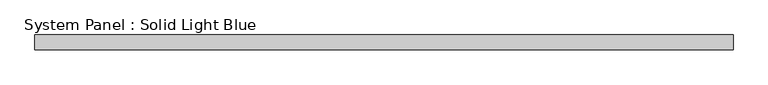
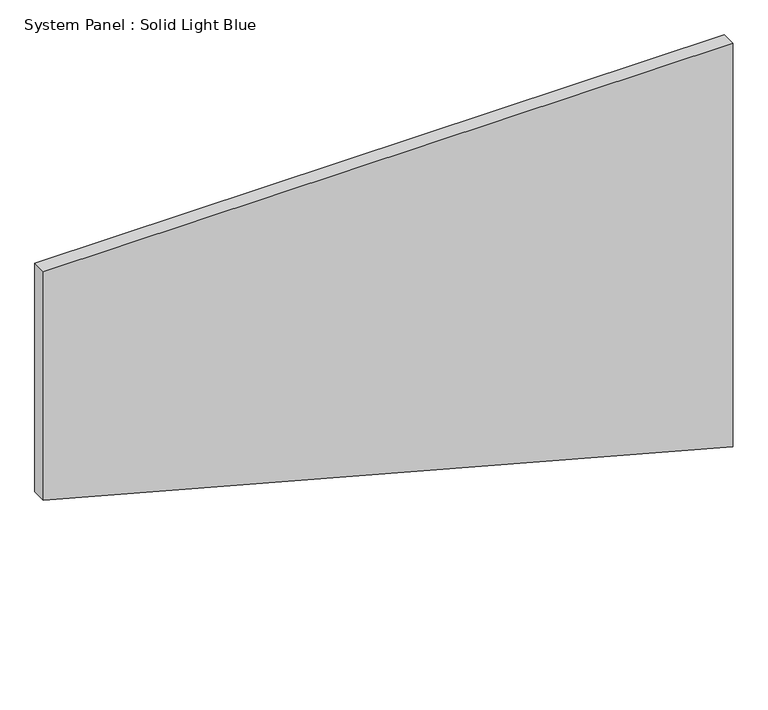
"""IFC4 building model written with IfcOpenShell, lengths in millimetres: plate geometry, System Panel : Solid Light Blue."""

import ifcopenshell
import ifcopenshell.guid

model = None  # the IFC model being written
_history = None  # IfcOwnerHistory: only IFC2X3 demands one
_inside = {}  # id of a spatial element -> (the spatial element, [elements in it])
_under = {}  # id of a project, library or spatial element -> (it, [spatial elements below it])
_declared = {}  # id of a project -> (the project, [libraries it declares])
_typed = {}  # id of a type object -> (the type object, [elements of that type])
_made_of = {}  # id of a material, layer set ... -> (it, [elements and type objects made of it])


def new_model(schema):
    """Start an empty IFC model of exactly this schema.

    Asked for "IFC4X3", IfcOpenShell would pick the latest addendum, in which some entities
    have other attributes; the version numbers below select the first issue.
    IFC2X3 requires an IfcOwnerHistory on every rooted entity: one is made here for all.
    """
    global model, _history
    if schema == "IFC4X3":
        model = ifcopenshell.file(schema_version=(4, 3, 0, 0))
    else:
        model = ifcopenshell.file(schema=schema)
    _inside.clear()
    _under.clear()
    _declared.clear()
    _typed.clear()
    _made_of.clear()
    _history = None
    if model.schema == "IFC2X3":
        org = make("IfcOrganization", Name="unknown")
        user = make(
            "IfcPersonAndOrganization",
            ThePerson=make("IfcPerson", FamilyName="unknown"),
            TheOrganization=org,
        )
        app = make(
            "IfcApplication",
            ApplicationDeveloper=org,
            Version="unknown",
            ApplicationFullName="unknown",
            ApplicationIdentifier="unknown",
        )
        _history = make(
            "IfcOwnerHistory",
            OwningUser=user,
            OwningApplication=app,
            ChangeAction="ADDED",
            CreationDate=0,
        )
    return model


def make(cls, **values):
    """One entity of the class cls with the attributes given. An attribute that is None is left unset."""
    return model.create_entity(
        cls, **{name: value for name, value in values.items() if value is not None}
    )


def rooted(cls, **values):
    """An entity with a GlobalId (a new one), such as an element, a storey or a relation."""
    return make(cls, GlobalId=ifcopenshell.guid.new(), OwnerHistory=_history, **values)


def si_unit(unit_type, name, prefix=None):
    """IfcSIUnit, for example si_unit("LENGTHUNIT", "METRE", prefix="MILLI")."""
    return make("IfcSIUnit", UnitType=unit_type, Prefix=prefix, Name=name)


def assignment(units):
    """IfcUnitAssignment: the units of a project."""
    return None if units is None else make("IfcUnitAssignment", Units=units)


def point(xyz):
    """IfcCartesianPoint."""
    return None if xyz is None else make("IfcCartesianPoint", Coordinates=xyz)


def direction(xyz):
    """IfcDirection."""
    return None if xyz is None else make("IfcDirection", DirectionRatios=xyz)


def frame(location, z_axis=None, x_axis=None):
    """IfcAxis2Placement3D, a coordinate frame: its origin and axes. An axis left out is left unset."""
    return make(
        "IfcAxis2Placement3D",
        Location=point(location),
        Axis=direction(z_axis),
        RefDirection=direction(x_axis),
    )


def origin():
    """The frame at (0, 0, 0) with its axes left unset."""
    return frame((0.0, 0.0, 0.0))


def place(relative_to, where):
    """IfcLocalPlacement: puts the frame where relative to a parent placement (None: the world)."""
    return make(
        "IfcLocalPlacement", PlacementRelTo=relative_to, RelativePlacement=where
    )


def context(
    kind, dimensions, precision=None, world=None, true_north=None, identifier=None
):
    """IfcGeometricRepresentationContext, for example the 3D "Model" context."""
    return make(
        "IfcGeometricRepresentationContext",
        ContextIdentifier=identifier,
        ContextType=kind,
        CoordinateSpaceDimension=dimensions,
        Precision=precision,
        WorldCoordinateSystem=world,
        TrueNorth=true_north,
    )


def project(units=None, contexts=None):
    """IfcProject with its units and contexts."""
    return rooted(
        "IfcProject",
        Name="project",
        RepresentationContexts=contexts,
        UnitsInContext=assignment(units),
    )


def spatial(cls, under=None, at=None, **own):
    """A site, building, storey or space (cls), placed at a placement, below another one or the project."""
    s = rooted(cls, ObjectPlacement=at, **own)
    if under is not None:
        _under.setdefault(under.id(), (under, []))[1].append(s)
    return s


def polyline(points):
    """IfcPolyline through the points."""
    return make("IfcPolyline", Points=[point(p) for p in points])


def outline(outer, holes=None, kind="AREA"):
    """IfcArbitraryClosedProfileDef: a profile drawn as a closed curve; with holes, ...WithVoids."""
    if holes is None:
        return make("IfcArbitraryClosedProfileDef", ProfileType=kind, OuterCurve=outer)
    return make(
        "IfcArbitraryProfileDefWithVoids",
        ProfileType=kind,
        OuterCurve=outer,
        InnerCurves=holes,
    )


def extrude(swept, where, along, depth):
    """IfcExtrudedAreaSolid: the profile swept, set in the frame where, extruded along a direction by depth."""
    return make(
        "IfcExtrudedAreaSolid",
        SweptArea=swept,
        Position=where,
        ExtrudedDirection=direction(along),
        Depth=depth,
    )


def shape(context_of_items, identifier, shape_type, items):
    """IfcShapeRepresentation: the items that make up one representation, for example the "Body"."""
    return make(
        "IfcShapeRepresentation",
        ContextOfItems=context_of_items,
        RepresentationIdentifier=identifier,
        RepresentationType=shape_type,
        Items=items,
    )


def source(mapping_origin, context_of_items, identifier, shape_type, items):
    """IfcRepresentationMap: a shape defined once, which mapped items show again and again."""
    return make(
        "IfcRepresentationMap",
        MappingOrigin=mapping_origin,
        MappedRepresentation=shape(context_of_items, identifier, shape_type, items),
    )


def transform(
    local_origin,
    x_axis=None,
    y_axis=None,
    z_axis=None,
    scale=None,
    scale2=None,
    scale3=None,
    uniform=True,
):
    """IfcCartesianTransformationOperator3D, or its non-uniform kind. x_axis, y_axis, z_axis: its Axis1, 2, 3."""
    if uniform:
        return make(
            "IfcCartesianTransformationOperator3D",
            Axis1=direction(x_axis),
            Axis2=direction(y_axis),
            LocalOrigin=point(local_origin),
            Scale=scale,
            Axis3=direction(z_axis),
        )
    return make(
        "IfcCartesianTransformationOperator3DnonUniform",
        Axis1=direction(x_axis),
        Axis2=direction(y_axis),
        LocalOrigin=point(local_origin),
        Scale=scale,
        Axis3=direction(z_axis),
        Scale2=scale2,
        Scale3=scale3,
    )


def mapped(mapping_source, mapping_target):
    """IfcMappedItem: shows the shape of a source again, moved by a transform."""
    return make(
        "IfcMappedItem", MappingSource=mapping_source, MappingTarget=mapping_target
    )


def made_of(thing, what):
    """Note that an element or type object is made of a material, layer set ...; save() writes the relation."""
    if what is not None:
        _made_of.setdefault(what.id(), (what, []))[1].append(thing)
    return thing


def element(
    cls,
    number,
    at=None,
    inside=None,
    cuts=None,
    type_object=None,
    material=None,
    context=None,
    identifier="Body",
    shape_type=None,
    held_by="IfcProductDefinitionShape",
    body=None,
    shapes=None,
    **own,
):
    """One element of the class cls, such as IfcWall. Its Tag is "e" and its number.

    at: its placement. inside: the storey or other place that contains it. cuts: it is an
    opening in that element (IfcRelVoidsElement). A single representation is given by context,
    identifier, shape_type and body (its items); several are given by shapes. held_by: the class
    of the entity that holds the representations. save() writes the other relations.
    """
    e = rooted(cls, Tag="e%d" % number, ObjectPlacement=at, **own)
    if body is not None:
        shapes = [shape(context, identifier, shape_type, body)]
    if shapes is not None:
        e.Representation = make(held_by, Representations=shapes)
    if inside is not None:
        _inside.setdefault(inside.id(), (inside, []))[1].append(e)
    if cuts is not None:
        rooted(
            "IfcRelVoidsElement", RelatingBuildingElement=cuts, RelatedOpeningElement=e
        )
    if type_object is not None:
        _typed.setdefault(type_object.id(), (type_object, []))[1].append(e)
    return made_of(e, material)


def aggregate(whole, parts):
    """IfcRelAggregates: a whole, such as a stair, and the parts it consists of."""
    return rooted("IfcRelAggregates", RelatingObject=whole, RelatedObjects=parts)


def save(model, path):
    """Write the relations noted so far, then the file.

    IfcRelAggregates (storeys below a building ...), IfcRelContainedInSpatialStructure (elements
    in a storey), IfcRelDefinesByType, IfcRelAssociatesMaterial and IfcRelDeclares: one each for
    every whole, place, type object, material and project.
    """
    for whole, parts in _under.values():
        aggregate(whole, parts)
    for where, things in _inside.values():
        rooted(
            "IfcRelContainedInSpatialStructure",
            RelatedElements=things,
            RelatingStructure=where,
        )
    for kind, things in _typed.values():
        rooted("IfcRelDefinesByType", RelatedObjects=things, RelatingType=kind)
    for what, things in _made_of.values():
        rooted("IfcRelAssociatesMaterial", RelatedObjects=things, RelatingMaterial=what)
    for by, libraries in _declared.values():
        rooted("IfcRelDeclares", RelatingContext=by, RelatedDefinitions=libraries)
    model.write(path)


def system_panel_solid_light_blue_c39082a4(model_context):
    return source(origin(), model_context, "Body", "SweptSolid", [
        extrude(outline(polyline([(763.6551984, -1425.0), (0.0, 1425.0), (1761.766282, 1425.0), (1761.766282, -1425.0), (763.6551984, -1425.0)])), frame((0.0, -30.0, 0.0), z_axis=(0.0, 1.0, 0.0), x_axis=(0.0, 0.0, 1.0)), (0.0, 0.0, 1.0), 60.0),
    ])


if __name__ == "__main__":
    model = new_model("IFC4")
    model_context = context("Model", 3, world=origin())
    ifc_project = project(units=[si_unit("LENGTHUNIT", "METRE", prefix="MILLI")], contexts=[model_context])
    site = spatial("IfcSite", under=ifc_project)
    building = spatial("IfcBuilding", under=site)
    placement = place(None, origin())
    system_panel_solid_light_blue_shape = system_panel_solid_light_blue_c39082a4(model_context)
    element("IfcPlate", 1, ObjectType="System Panel : Solid Light Blue", at=placement, inside=building, context=model_context, shape_type="MappedRepresentation", body=[
        mapped(system_panel_solid_light_blue_shape, transform((0.0, 0.0, 0.0), x_axis=(1.0, 0.0, 0.0), y_axis=(0.0, 1.0, 0.0), z_axis=(0.0, 0.0, 1.0))),
    ])
    save(model, "model.ifc")
